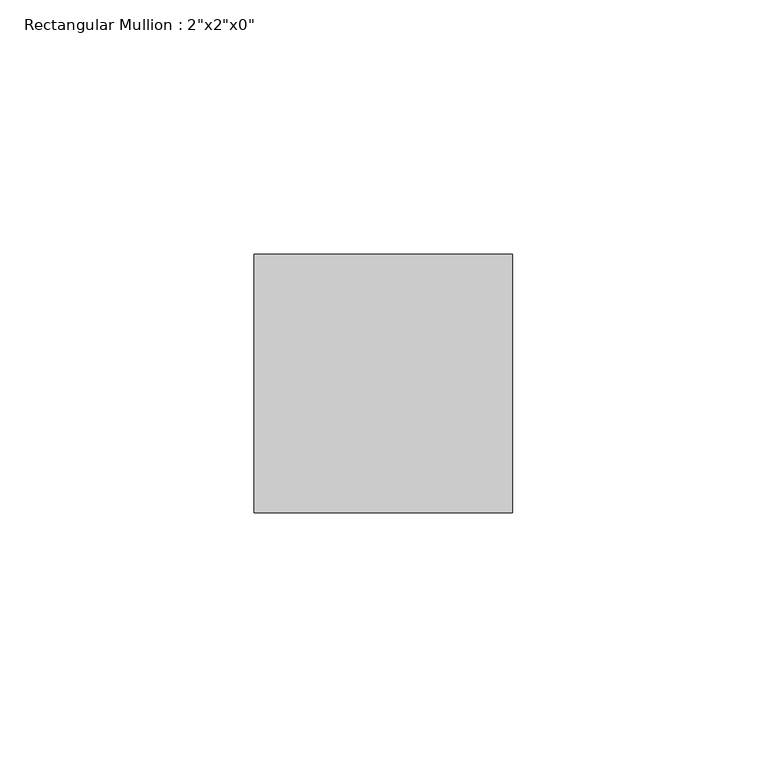
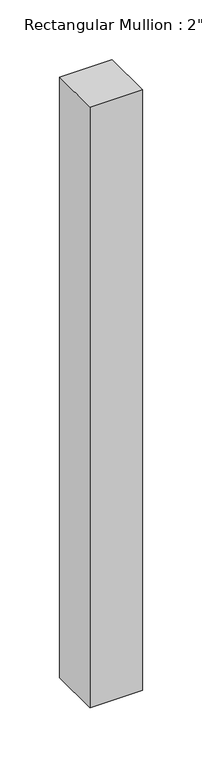
"""IFC4 building model written with IfcOpenShell, lengths in millimetres: member geometry."""

from ifc_helpers import new_model, si_unit, frame, origin, place, context, project, spatial, polyline, outline, extrude, source, transform, mapped, element, save


def member_047bb796(model_context):
    return source(origin(), model_context, "Body", "SweptSolid", [
        extrude(outline(polyline([(0.0, 25.4), (0.0, -25.4), (-50.8, -25.4), (-50.8, 25.4), (0.0, 25.4)])), frame((0.0, 0.0, -614.3913732), z_axis=(0.0, 0.0, 1.0), x_axis=(1.0, 0.0, 0.0)), (0.0, 0.0, 1.0), 614.3913732),
    ])


if __name__ == "__main__":
    model = new_model("IFC4")
    model_context = context("Model", 3, world=origin())
    ifc_project = project(units=[si_unit("LENGTHUNIT", "METRE", prefix="MILLI")], contexts=[model_context])
    site = spatial("IfcSite", under=ifc_project)
    building = spatial("IfcBuilding", under=site)
    placement = place(None, origin())
    member_shape = member_047bb796(model_context)
    element("IfcMember", 1, ObjectType="Rectangular Mullion : 2\"x2\"x0\"", at=placement, inside=building, context=model_context, shape_type="MappedRepresentation", body=[
        mapped(member_shape, transform((0.0, 0.0, 0.0), x_axis=(1.0, 0.0, 0.0), y_axis=(0.0, 1.0, 0.0), z_axis=(0.0, 0.0, 1.0))),
    ])
    save(model, "model.ifc")
